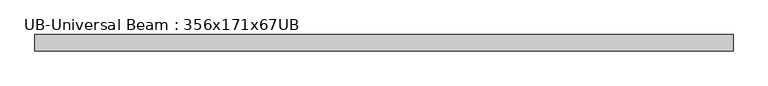
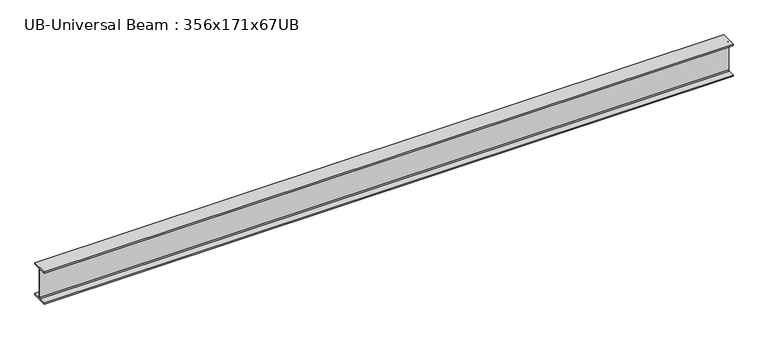
"""IFC4 building model written with IfcOpenShell, lengths in millimetres: beam geometry, UB-Universal Beam : 356x171x67UB."""

from ifc_helpers import new_model, si_unit, point, frame, frame_2d, origin, place, context, project, spatial, polyline, circle_curve, trimmed, segment, composite_curve, outline, extrude, source, transform, mapped, element, save


def ub_universal_beam_356x171x67ub_e0c07568(model_context):
    return source(origin(), model_context, "Body", "SweptSolid", [
        extrude(outline(composite_curve([segment(polyline([(86.6, -166.0), (86.6, -181.7), (-86.6, -181.7), (-86.6, -166.0), (-14.75, -166.0)]), True, "CONTINUOUS"), segment(trimmed(circle_curve(frame_2d((-14.75, -155.8)), 10.2), [point((-14.75, -166.0))], [point((-4.55, -155.8))], True, "CARTESIAN"), True, "CONTINUOUS"), segment(polyline([(-4.55, -155.8), (-4.55, 155.8)]), True, "CONTINUOUS"), segment(trimmed(circle_curve(frame_2d((-14.75, 155.8)), 10.2), [point((-4.55, 155.8))], [point((-14.75, 166.0))], True, "CARTESIAN"), True, "CONTINUOUS"), segment(polyline([(-14.75, 166.0), (-86.6, 166.0), (-86.6, 181.7), (86.6, 181.7), (86.6, 166.0), (14.75, 166.0)]), True, "CONTINUOUS"), segment(trimmed(circle_curve(frame_2d((14.75, 155.8)), 10.2), [point((14.75, 166.0))], [point((4.55, 155.8))], True, "CARTESIAN"), True, "CONTINUOUS"), segment(polyline([(4.55, 155.8), (4.55, -155.8)]), True, "CONTINUOUS"), segment(trimmed(circle_curve(frame_2d((14.75, -155.8)), 10.2), [point((4.55, -155.8))], [point((14.75, -166.0))], True, "CARTESIAN"), True, "CONTINUOUS"), segment(polyline([(14.75, -166.0), (86.6, -166.0)]), True, "CONTINUOUS")], self_intersect=False)), frame((-3669.8153827, 0.0, 0.0), z_axis=(1.0, 0.0, 0.0), x_axis=(0.0, 1.0, 0.0)), (0.0, 0.0, 1.0), 7339.6307653),
    ])


if __name__ == "__main__":
    model = new_model("IFC4")
    model_context = context("Model", 3, world=origin())
    ifc_project = project(units=[si_unit("LENGTHUNIT", "METRE", prefix="MILLI")], contexts=[model_context])
    site = spatial("IfcSite", under=ifc_project)
    building = spatial("IfcBuilding", under=site)
    placement = place(None, origin())
    ub_universal_beam_356x171x67ub_shape = ub_universal_beam_356x171x67ub_e0c07568(model_context)
    element("IfcBeam", 1, ObjectType="UB-Universal Beam : 356x171x67UB", at=placement, inside=building, context=model_context, shape_type="MappedRepresentation", body=[
        mapped(ub_universal_beam_356x171x67ub_shape, transform((0.0, 0.0, 0.0), x_axis=(1.0, 0.0, 0.0), y_axis=(0.0, 1.0, 0.0), z_axis=(0.0, 0.0, 1.0))),
    ])
    save(model, "model.ifc")
